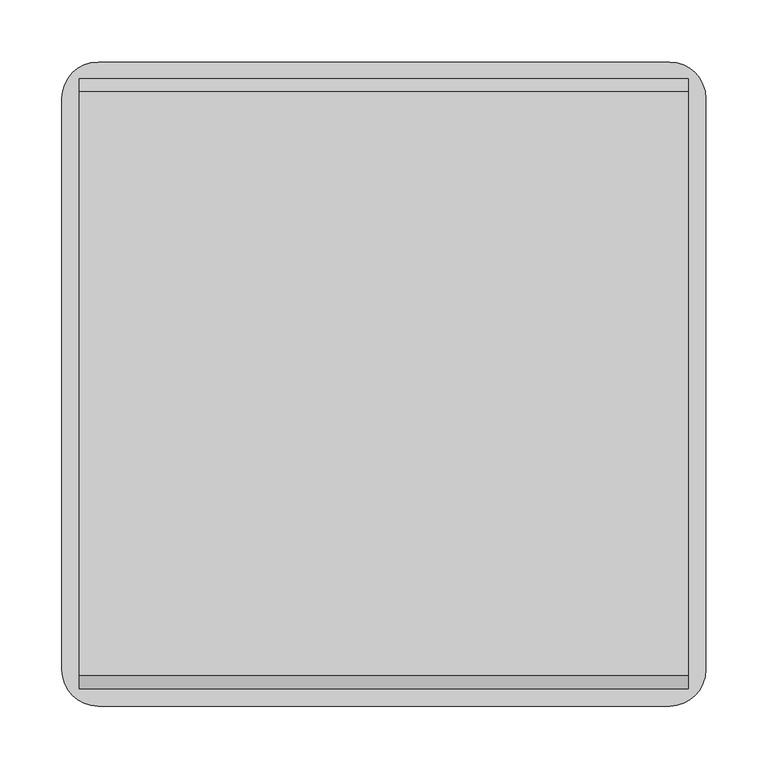
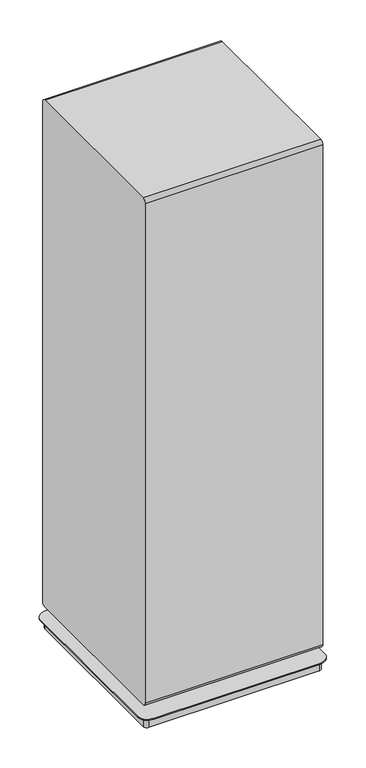
"""IFC4 building model written with IfcOpenShell, lengths in millimetres: furniture geometry."""

from ifc_helpers import new_model, si_unit, point, frame, frame_2d, origin, place, context, project, spatial, polyline, circle_curve, trimmed, segment, composite_curve, outline, extrude, source, transform, mapped, element, save
from ifc_brep_helpers import plane_surface, cylinder_surface, advanced_brep


def furniture_4238c087(model_context):
    return source(origin(), model_context, "Body", "SolidModel", [
        extrude(outline(composite_curve([segment(polyline([(290.6410876, 1539.4161463), (290.6410876, 73.6296543)]), True, "CONTINUOUS"), segment(trimmed(circle_curve(frame_2d((281.0114376, 73.6296543)), 9.62965), [point((290.6410876, 73.6296543))], [point((281.0114376, 64.0000043))], False, "CARTESIAN"), True, "CONTINUOUS"), segment(polyline([(281.0114376, 64.0000043), (-192.1114376, 64.0000043)]), True, "CONTINUOUS"), segment(trimmed(circle_curve(frame_2d((-192.1114376, 73.6296543)), 9.62965), [point((-192.1114376, 64.0000043))], [point((-201.7410876, 73.6296543))], False, "CARTESIAN"), True, "CONTINUOUS"), segment(polyline([(-201.7410876, 73.6296543), (-201.7410876, 1539.4161463)]), True, "CONTINUOUS"), segment(trimmed(circle_curve(frame_2d((-191.2611401, 1539.4161463)), 10.4799474), [point((-201.7410876, 1539.4161463))], [point((-191.2611401, 1549.8960938))], False, "CARTESIAN"), True, "CONTINUOUS"), segment(polyline([(-191.2611401, 1549.8960938), (280.1611401, 1549.8960938)]), True, "CONTINUOUS"), segment(trimmed(circle_curve(frame_2d((280.1611401, 1539.4161463)), 10.4799474), [point((280.1611401, 1549.8960938))], [point((290.6410876, 1539.4161463))], False, "CARTESIAN"), True, "CONTINUOUS")], self_intersect=False)), frame((574.621703, 0.0, 0.0), z_axis=(1.0, 0.0, 0.0), x_axis=(0.0, 1.0, 0.0)), (0.0, 0.0, 1.0), 491.9054206),
        advanced_brep(
        [(1051.3572258, 304.403125, 33.0000002), (589.7738875, 304.403125, 33.0000002), (560.6212883, 275.2505257, 33.0000002), (560.6212883, -186.3328125, 33.0000002), (589.7916008, -215.503125, 33.0000002), (1051.3572258, -215.503125, 33.0000002), (1080.5275383, -186.3328125, 33.0000002), (1080.5275383, 275.2328125, 33.0000002), (660.5044457, 214.4034084, 33.0000002), (640.5808102, 214.4034084, 33.0000002), (1000.5680164, 214.4034084, 33.0000002), (980.6443808, 214.4034084, 33.0000002), (660.5044457, -125.5034084, 33.0000002), (640.5808102, -125.5034084, 33.0000002), (1000.5680164, -125.5034084, 33.0000002), (980.6443808, -125.5034084, 33.0000002), (1051.3572258, 304.403125, 30.0000016), (1080.5275383, 275.2328125, 30.0000016), (1080.5275383, -186.3328125, 30.0000016), (1051.3572258, -215.503125, 30.0000016), (589.7916008, -215.503125, 30.0000016), (560.6212883, -186.3328125, 30.0000016), (560.6212883, 275.2505257, 30.0000016), (589.7738875, 304.403125, 30.0000016), (584.1152247, 290.4742373, 30.0000016), (574.7886622, 281.1476748, 30.0000016), (574.7886622, -191.8652105, 30.0000016), (584.1152247, -201.191773, 30.0000016), (1057.1281646, -201.191773, 30.0000016), (1066.4547271, -191.8652105, 30.0000016), (1066.4547271, 281.1066599, 30.0000016), (1057.0871496, 290.4742373, 30.0000016), (584.1152247, 290.4742373, 0.0), (1057.0871496, 290.4742373, 0.0), (1066.4547271, 281.1066599, 0.0), (1066.4547271, -191.8652105, 0.0), (1057.1281646, -201.191773, 0.0), (584.1152247, -201.191773, 0.0), (574.7886622, -191.8652105, 0.0), (574.7886622, 281.1476748, 0.0), (640.5808102, 214.4034084, 64.0000043), (660.5044457, 214.4034084, 64.0000043), (980.6443808, 214.4034084, 64.0000043), (1000.5680164, 214.4034084, 64.0000043), (640.5808102, -125.5034084, 64.0000043), (660.5044457, -125.5034084, 64.0000043), (980.6443808, -125.5034084, 64.0000043), (1000.5680164, -125.5034084, 64.0000043)],
        [
            (0, 1),
            (1, 2, circle_curve(frame((589.7738875, 275.2505257, 33.0000002), z_axis=(0.0, 0.0, 1.0), x_axis=(1.0, 0.0, 0.0)), 29.1525993)),
            (2, 3),
            (3, 4, circle_curve(frame((589.7916008, -186.3328125, 33.0000002), z_axis=(0.0, 0.0, 1.0), x_axis=(1.0, 0.0, 0.0)), 29.1703125)),
            (4, 5),
            (5, 6, circle_curve(frame((1051.3572258, -186.3328125, 33.0000002), z_axis=(0.0, 0.0, 1.0), x_axis=(1.0, 0.0, 0.0)), 29.1703125)),
            (6, 7),
            (7, 0, circle_curve(frame((1051.3572258, 275.2328125, 33.0000002), z_axis=(0.0, 0.0, 1.0), x_axis=(1.0, 0.0, 0.0)), 29.1703125)),
            (8, 9, circle_curve(frame((650.5426279, 214.4034084, 33.0000002), z_axis=(0.0, 0.0, -1.0), x_axis=(1.0, 0.0, 0.0)), 9.9618178)),
            (9, 8, circle_curve(frame((650.5426279, 214.4034084, 33.0000002), z_axis=(0.0, 0.0, -1.0), x_axis=(1.0, 0.0, 0.0)), 9.9618178)),
            (10, 11, circle_curve(frame((990.6061986, 214.4034084, 33.0000002), z_axis=(0.0, 0.0, -1.0), x_axis=(1.0, 0.0, 0.0)), 9.9618178)),
            (11, 10, circle_curve(frame((990.6061986, 214.4034084, 33.0000002), z_axis=(0.0, 0.0, -1.0), x_axis=(1.0, 0.0, 0.0)), 9.9618178)),
            (12, 13, circle_curve(frame((650.5426279, -125.5034084, 33.0000002), z_axis=(0.0, 0.0, -1.0), x_axis=(1.0, 0.0, 0.0)), 9.9618178)),
            (13, 12, circle_curve(frame((650.5426279, -125.5034084, 33.0000002), z_axis=(0.0, 0.0, -1.0), x_axis=(1.0, 0.0, 0.0)), 9.9618178)),
            (14, 15, circle_curve(frame((990.6061986, -125.5034084, 33.0000002), z_axis=(0.0, 0.0, -1.0), x_axis=(1.0, 0.0, 0.0)), 9.9618178)),
            (15, 14, circle_curve(frame((990.6061986, -125.5034084, 33.0000002), z_axis=(0.0, 0.0, -1.0), x_axis=(1.0, 0.0, 0.0)), 9.9618178)),
            (16, 17, circle_curve(frame((1051.3572258, 275.2328125, 30.0000016), z_axis=(0.0, 0.0, -1.0), x_axis=(1.0, 0.0, 0.0)), 29.1703125)),
            (17, 18),
            (18, 19, circle_curve(frame((1051.3572258, -186.3328125, 30.0000016), z_axis=(0.0, 0.0, -1.0), x_axis=(1.0, 0.0, 0.0)), 29.1703125)),
            (19, 20),
            (20, 21, circle_curve(frame((589.7916008, -186.3328125, 30.0000016), z_axis=(0.0, 0.0, -1.0), x_axis=(1.0, 0.0, 0.0)), 29.1703125)),
            (21, 22),
            (22, 23, circle_curve(frame((589.7738875, 275.2505257, 30.0000016), z_axis=(0.0, 0.0, -1.0), x_axis=(1.0, 0.0, 0.0)), 29.1525993)),
            (23, 16),
            (24, 25, circle_curve(frame((584.1152247, 281.1476748, 30.0000016), z_axis=(0.0, 0.0, 1.0), x_axis=(1.0, 0.0, 0.0)), 9.3265625)),
            (25, 26),
            (26, 27, circle_curve(frame((584.1152247, -191.8652105, 30.0000016), z_axis=(0.0, 0.0, 1.0), x_axis=(1.0, 0.0, 0.0)), 9.3265625)),
            (27, 28),
            (28, 29, circle_curve(frame((1057.1281646, -191.8652105, 30.0000016), z_axis=(0.0, 0.0, 1.0), x_axis=(1.0, 0.0, 0.0)), 9.3265625)),
            (29, 30),
            (30, 31, circle_curve(frame((1057.0871496, 281.1066599, 30.0000016), z_axis=(0.0, 0.0, 1.0), x_axis=(1.0, 0.0, 0.0)), 9.3675774)),
            (31, 24),
            (32, 33),
            (33, 34, circle_curve(frame((1057.0871496, 281.1066599, 0.0), z_axis=(0.0, 0.0, -1.0), x_axis=(1.0, 0.0, 0.0)), 9.3675774)),
            (34, 35),
            (35, 36, circle_curve(frame((1057.1281646, -191.8652105, 0.0), z_axis=(0.0, 0.0, -1.0), x_axis=(1.0, 0.0, 0.0)), 9.3265625)),
            (36, 37),
            (37, 38, circle_curve(frame((584.1152247, -191.8652105, 0.0), z_axis=(0.0, 0.0, -1.0), x_axis=(1.0, 0.0, 0.0)), 9.3265625)),
            (38, 39),
            (39, 32, circle_curve(frame((584.1152247, 281.1476748, 0.0), z_axis=(0.0, 0.0, -1.0), x_axis=(1.0, 0.0, 0.0)), 9.3265625)),
            (40, 41, circle_curve(frame((650.5426279, 214.4034084, 64.0000043), z_axis=(0.0, 0.0, 1.0), x_axis=(1.0, 0.0, 0.0)), 9.9618178)),
            (41, 40, circle_curve(frame((650.5426279, 214.4034084, 64.0000043), z_axis=(0.0, 0.0, 1.0), x_axis=(1.0, 0.0, 0.0)), 9.9618178)),
            (42, 43, circle_curve(frame((990.6061986, 214.4034084, 64.0000043), z_axis=(0.0, 0.0, 1.0), x_axis=(1.0, 0.0, 0.0)), 9.9618178)),
            (43, 42, circle_curve(frame((990.6061986, 214.4034084, 64.0000043), z_axis=(0.0, 0.0, 1.0), x_axis=(1.0, 0.0, 0.0)), 9.9618178)),
            (44, 45, circle_curve(frame((650.5426279, -125.5034084, 64.0000043), z_axis=(0.0, 0.0, 1.0), x_axis=(1.0, 0.0, 0.0)), 9.9618178)),
            (45, 44, circle_curve(frame((650.5426279, -125.5034084, 64.0000043), z_axis=(0.0, 0.0, 1.0), x_axis=(1.0, 0.0, 0.0)), 9.9618178)),
            (46, 47, circle_curve(frame((990.6061986, -125.5034084, 64.0000043), z_axis=(0.0, 0.0, 1.0), x_axis=(1.0, 0.0, 0.0)), 9.9618178)),
            (47, 46, circle_curve(frame((990.6061986, -125.5034084, 64.0000043), z_axis=(0.0, 0.0, 1.0), x_axis=(1.0, 0.0, 0.0)), 9.9618178)),
            (0, 16),
            (23, 1),
            (22, 2),
            (21, 3),
            (20, 4),
            (19, 5),
            (18, 6),
            (17, 7),
            (39, 25),
            (24, 32),
            (38, 26),
            (37, 27),
            (36, 28),
            (35, 29),
            (34, 30),
            (33, 31),
            (40, 9),
            (8, 41),
            (42, 11),
            (10, 43),
            (44, 13),
            (12, 45),
            (46, 15),
            (14, 47),
        ],
        [
            plane_surface(frame((-535.8236186, 304.403125, 33.0000002), z_axis=(0.0, 0.0, 1.0), x_axis=(-1.0, 0.0, 0.0))),
            plane_surface(frame((-535.8236186, 304.403125, 30.0000016), z_axis=(0.0, 0.0, -1.0), x_axis=(1.0, 0.0, 0.0))),
            plane_surface(frame((593.4417872, 281.1476748, 0.0), z_axis=(0.0, 0.0, -1.0), x_axis=(0.0, -1.0, 0.0))),
            plane_surface(frame((660.5044457, 214.4034084, 64.0000043), z_axis=(0.0, 0.0, 1.0), x_axis=(0.0, 1.0, 0.0))),
            plane_surface(frame((1051.3572258, 304.403125, 33.0000002), z_axis=(0.0, 1.0, 0.0), x_axis=(0.0, 0.0, -1.0))),
            cylinder_surface(frame((589.7738875, 275.2505257, 30.0000016), z_axis=(0.0, 0.0, 1.0), x_axis=(1.0, 0.0, 0.0)), 29.1525993),
            plane_surface(frame((560.6212883, 275.2505257, 33.0000002), z_axis=(-1.0, 0.0, 0.0), x_axis=(0.0, 0.0, -1.0))),
            cylinder_surface(frame((589.7916008, -186.3328125, 30.0000016), z_axis=(0.0, 0.0, 1.0), x_axis=(1.0, 0.0, 0.0)), 29.1703125),
            plane_surface(frame((589.7916008, -215.503125, 33.0000002), z_axis=(0.0, -1.0, 0.0), x_axis=(0.0, 0.0, -1.0))),
            cylinder_surface(frame((1051.3572258, -186.3328125, 30.0000016), z_axis=(0.0, 0.0, 1.0), x_axis=(1.0, 0.0, 0.0)), 29.1703125),
            plane_surface(frame((1080.5275383, -186.3328125, 33.0000002), z_axis=(1.0, 0.0, 0.0), x_axis=(0.0, 0.0, -1.0))),
            cylinder_surface(frame((1051.3572258, 275.2328125, 30.0000016), z_axis=(0.0, 0.0, 1.0), x_axis=(1.0, 0.0, 0.0)), 29.1703125),
            cylinder_surface(frame((584.1152247, 281.1476748, 0.0), z_axis=(0.0, 0.0, 1.0), x_axis=(1.0, 0.0, 0.0)), 9.3265625),
            plane_surface(frame((574.7886622, 281.1476748, 30.0000016), z_axis=(-1.0, 0.0, 0.0), x_axis=(0.0, 0.0, -1.0))),
            cylinder_surface(frame((584.1152247, -191.8652105, 0.0), z_axis=(0.0, 0.0, 1.0), x_axis=(1.0, 0.0, 0.0)), 9.3265625),
            plane_surface(frame((584.1152247, -201.191773, 30.0000016), z_axis=(0.0, -1.0, 0.0), x_axis=(0.0, 0.0, -1.0))),
            cylinder_surface(frame((1057.1281646, -191.8652105, 0.0), z_axis=(0.0, 0.0, 1.0), x_axis=(1.0, 0.0, 0.0)), 9.3265625),
            plane_surface(frame((1066.4547271, -191.8652105, 30.0000016), z_axis=(1.0, 0.0, 0.0), x_axis=(0.0, 0.0, -1.0))),
            cylinder_surface(frame((1057.0871496, 281.1066599, 0.0), z_axis=(0.0, 0.0, 1.0), x_axis=(1.0, 0.0, 0.0)), 9.3675774),
            plane_surface(frame((1057.0871496, 290.4742373, 30.0000016), z_axis=(0.0, 1.0, 0.0), x_axis=(0.0, 0.0, -1.0))),
            cylinder_surface(frame((650.5426279, 214.4034084, 33.0000002), z_axis=(0.0, 0.0, 1.0), x_axis=(1.0, 0.0, 0.0)), 9.9618178),
            cylinder_surface(frame((990.6061986, 214.4034084, 0.0), z_axis=(0.0, 0.0, 1.0), x_axis=(1.0, 0.0, 0.0)), 9.9618178),
            cylinder_surface(frame((650.5426279, -125.5034084, 0.0), z_axis=(0.0, 0.0, 1.0), x_axis=(1.0, 0.0, 0.0)), 9.9618178),
            cylinder_surface(frame((990.6061986, -125.5034084, 0.0), z_axis=(0.0, 0.0, 1.0), x_axis=(1.0, 0.0, 0.0)), 9.9618178),
        ],
        [
            (0, [[1, 2, 3, 4, 5, 6, 7, 8], [9, 10], [11, 12], [13, 14], [15, 16]]),
            (1, [[17, 18, 19, 20, 21, 22, 23, 24], [25, 26, 27, 28, 29, 30, 31, 32]]),
            (2, [[33, 34, 35, 36, 37, 38, 39, 40]]),
            (3, [[41, 42]]),
            (3, [[43, 44]]),
            (3, [[45, 46]]),
            (3, [[47, 48]]),
            (4, [[-1, 49, -24, 50]]),
            (5, [[-2, -50, -23, 51]]),
            (6, [[-3, -51, -22, 52]]),
            (7, [[-4, -52, -21, 53]]),
            (8, [[-5, -53, -20, 54]]),
            (9, [[-6, -54, -19, 55]]),
            (10, [[-7, -55, -18, 56]]),
            (11, [[-8, -56, -17, -49]]),
            (12, [[-40, 57, -25, 58]]),
            (13, [[-39, 59, -26, -57]]),
            (14, [[-38, 60, -27, -59]]),
            (15, [[-37, 61, -28, -60]]),
            (16, [[-36, 62, -29, -61]]),
            (17, [[-35, 63, -30, -62]]),
            (18, [[-34, 64, -31, -63]]),
            (19, [[-33, -58, -32, -64]]),
            (20, [[-41, 65, -9, 66]]),
            (20, [[-42, -66, -10, -65]]),
            (21, [[-43, 67, -11, 68]]),
            (21, [[-44, -68, -12, -67]]),
            (22, [[-45, 69, -13, 70]]),
            (22, [[-46, -70, -14, -69]]),
            (23, [[-47, 71, -15, 72]]),
            (23, [[-48, -72, -16, -71]]),
        ],
    ),
    ])


if __name__ == "__main__":
    model = new_model("IFC4")
    model_context = context("Model", 3, world=origin())
    ifc_project = project(units=[si_unit("LENGTHUNIT", "METRE", prefix="MILLI")], contexts=[model_context])
    site = spatial("IfcSite", under=ifc_project)
    building = spatial("IfcBuilding", under=site)
    placement = place(None, origin())
    furniture_shape = furniture_4238c087(model_context)
    element("IfcFurniture", 1, at=placement, inside=building, context=model_context, shape_type="MappedRepresentation", body=[
        mapped(furniture_shape, transform((0.0, 0.0, 0.0), x_axis=(1.0, 0.0, 0.0), y_axis=(0.0, 1.0, 0.0), z_axis=(0.0, 0.0, 1.0))),
    ])
    save(model, "model.ifc")
